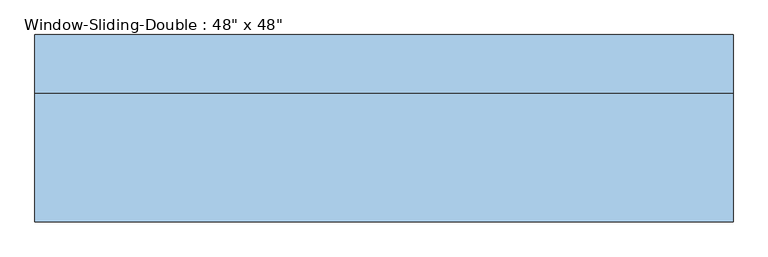
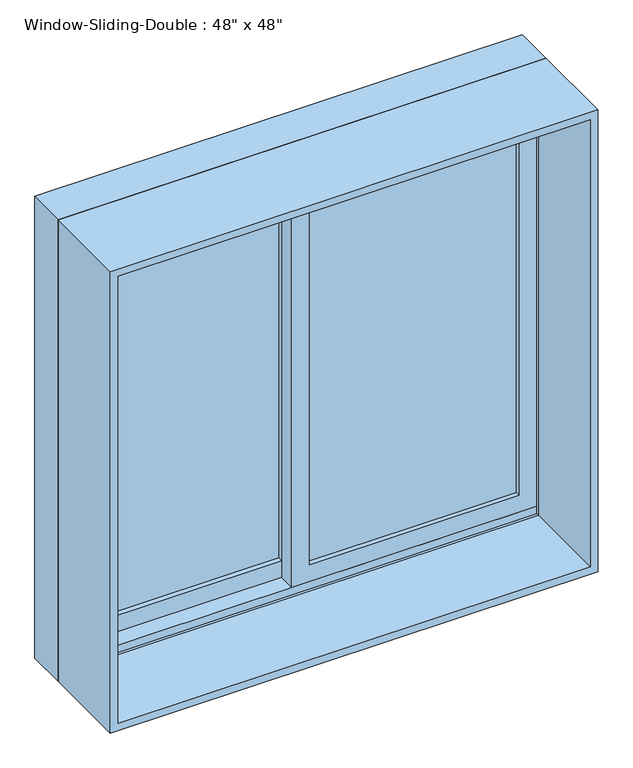
"""IFC4 building model written with IfcOpenShell, lengths in millimetres: window geometry."""

from ifc_helpers import new_model, si_unit, frame, origin, place, context, project, spatial, polyline, outline, extrude, faceted_brep, source, transform, mapped, element, save


def window_605e67e9(model_context):
    return source(origin(), model_context, "Body", "SolidModel", [
        faceted_brep([(-609.6, 67.6275, 914.4), (-609.6, 169.2275, 914.4), (609.6, 169.2275, 914.4), (609.6, 67.6275, 914.4), (-568.6778905, 169.2275, 2092.6778905), (-568.6778905, 162.8775, 2092.6778905), (-568.6778905, 162.8775, 933.45), (-568.6778905, 169.2275, 933.45), (568.6778905, 162.8775, 2092.6778905), (568.6778905, 162.8775, 933.45), (590.55, 162.8775, 933.45), (590.55, 162.8775, 2114.55), (-590.55, 162.8775, 2114.55), (-590.55, 162.8775, 933.45), (-590.55, 67.6275, 2114.55), (-590.55, 67.6275, 933.45), (-590.55, 73.9775, 933.45), (-590.55, 73.9775, 952.5), (-590.55, 118.4275, 952.5), (-590.55, 118.4275, 933.45), (609.6, 67.6275, 2133.6), (-609.6, 67.6275, 2133.6), (590.55, 67.6275, 2114.55), (590.55, 67.6275, 933.45), (-609.6, 169.2275, 2133.6), (609.6, 169.2275, 2133.6), (568.6778905, 169.2275, 933.45), (568.6778905, 169.2275, 2092.6778905), (590.55, 118.4275, 933.45), (590.55, 118.4275, 952.5), (590.55, 73.9775, 952.5), (590.55, 73.9775, 933.45)], [[[0, 1, 2, 3]], [[4, 5, 6, 7]], [[5, 8, 9, 10, 11, 12, 13, 6]], [[12, 14, 15, 16, 17, 18, 19, 13]], [[0, 3, 20, 21], [22, 23, 15, 14]], [[24, 1, 0, 21]], [[2, 1, 24, 25], [4, 7, 26, 27]], [[5, 4, 27, 8]], [[12, 11, 22, 14]], [[21, 20, 25, 24]], [[8, 27, 26, 9]], [[22, 11, 10, 28, 29, 30, 31, 23]], [[20, 3, 2, 25]], [[26, 7, 6, 13, 19, 28, 10, 9]], [[28, 19, 18, 29]], [[29, 18, 17, 30]], [[30, 17, 16, 31]], [[15, 23, 31, 16]]]),
        extrude(outline(polyline([(2133.6, -609.6), (914.4, -609.6), (914.4, 609.6), (2133.6, 609.6), (2133.6, -609.6)]), holes=[polyline([(2114.55, 590.55), (933.45, 590.55), (933.45, -590.55), (2114.55, -590.55), (2114.55, 590.55)])]), frame((0.0, -157.7975, 0.0), z_axis=(0.0, 1.0, 0.0), x_axis=(0.0, 0.0, 1.0)), (0.0, 0.0, 1.0), 225.425),
        extrude(outline(polyline([(546.1, 105.7275), (546.1, 99.3775), (22.225, 99.3775), (22.225, 105.7275), (546.1, 105.7275)])), frame((0.0, 0.0, 996.95), z_axis=(0.0, 0.0, 1.0), x_axis=(1.0, 0.0, 0.0)), (0.0, 0.0, 1.0), 1073.15),
        extrude(outline(polyline([(546.1, 93.0275), (546.1, 86.6775), (22.225, 86.6775), (22.225, 93.0275), (546.1, 93.0275)])), frame((0.0, 0.0, 996.95), z_axis=(0.0, 0.0, 1.0), x_axis=(1.0, 0.0, 0.0)), (0.0, 0.0, 1.0), 1073.15),
        extrude(outline(polyline([(-22.225, 150.1775), (-22.225, 143.8275), (-546.1, 143.8275), (-546.1, 150.1775), (-22.225, 150.1775)])), frame((0.0, 0.0, 996.95), z_axis=(0.0, 0.0, 1.0), x_axis=(1.0, 0.0, 0.0)), (0.0, 0.0, 1.0), 1073.15),
        extrude(outline(polyline([(-22.225, 137.4775), (-22.225, 131.1275), (-546.1, 131.1275), (-546.1, 137.4775), (-22.225, 137.4775)])), frame((0.0, 0.0, 996.95), z_axis=(0.0, 0.0, 1.0), x_axis=(1.0, 0.0, 0.0)), (0.0, 0.0, 1.0), 1073.15),
        extrude(outline(polyline([(933.45, -590.55), (933.45, 22.225), (2114.55, 22.225), (2114.55, -590.55), (933.45, -590.55)]), holes=[polyline([(2070.1, -22.225), (996.95, -22.225), (996.95, -546.1), (2070.1, -546.1), (2070.1, -22.225)])]), frame((0.0, 118.4275, 0.0), z_axis=(0.0, 1.0, 0.0), x_axis=(0.0, 0.0, 1.0)), (0.0, 0.0, 1.0), 44.45),
        extrude(outline(polyline([(952.5, 590.55), (2114.55, 590.55), (2114.55, -22.225), (952.5, -22.225), (952.5, 590.55)]), holes=[polyline([(996.95, 22.225), (2070.1, 22.225), (2070.1, 546.1), (996.95, 546.1), (996.95, 22.225)])]), frame((0.0, 73.9775, 0.0), z_axis=(0.0, 1.0, 0.0), x_axis=(0.0, 0.0, 1.0)), (0.0, 0.0, 1.0), 44.45),
    ])


if __name__ == "__main__":
    model = new_model("IFC4")
    model_context = context("Model", 3, world=origin())
    ifc_project = project(units=[si_unit("LENGTHUNIT", "METRE", prefix="MILLI")], contexts=[model_context])
    site = spatial("IfcSite", under=ifc_project)
    building = spatial("IfcBuilding", under=site)
    placement = place(None, origin())
    window_shape = window_605e67e9(model_context)
    element("IfcWindow", 1, ObjectType="Window-Sliding-Double : 48\" x 48\"", at=placement, inside=building, context=model_context, shape_type="MappedRepresentation", body=[
        mapped(window_shape, transform((0.0, 0.0, 0.0), x_axis=(1.0, 0.0, 0.0), y_axis=(0.0, 1.0, 0.0), z_axis=(0.0, 0.0, 1.0))),
    ])
    save(model, "model.ifc")
